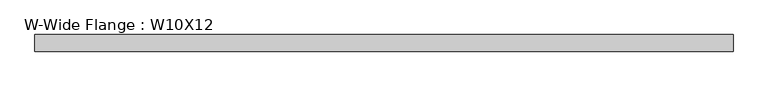
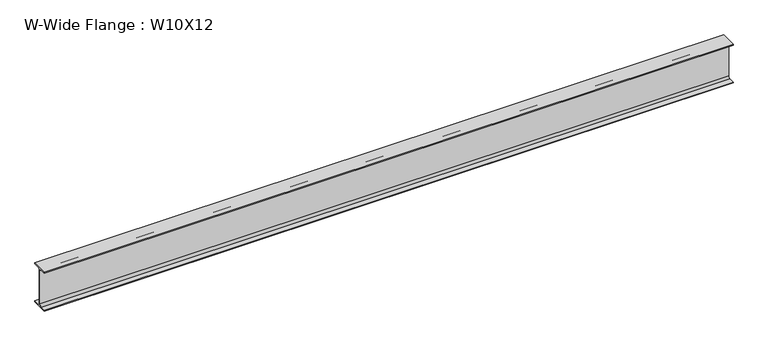
"""IFC4 building model written with IfcOpenShell, lengths in millimetres: beam geometry, W-Wide Flange : W10X12."""

from ifc_helpers import new_model, si_unit, point, frame, frame_2d, origin, place, context, project, spatial, polyline, circle_curve, trimmed, segment, composite_curve, outline, extrude, source, transform, mapped, element, save


def w_wide_flange_w10x12_dc94e826(model_context):
    return source(origin(), model_context, "Body", "SweptSolid", [
        extrude(outline(composite_curve([segment(polyline([(50.3039062, -120.0050781), (50.3039062, -125.3628906), (-50.3039063, -125.3628906), (-50.3039063, -120.0050781), (-16.1230469, -120.0050781)]), True, "CONTINUOUS"), segment(trimmed(circle_curve(frame_2d((-16.1230469, -106.3128906)), 13.6921875), [point((-16.1230469, -120.0050781))], [point((-2.4308594, -106.3128906))], True, "CARTESIAN"), True, "CONTINUOUS"), segment(polyline([(-2.4308594, -106.3128906), (-2.4308594, 106.3128906)]), True, "CONTINUOUS"), segment(trimmed(circle_curve(frame_2d((-16.1230469, 106.3128906)), 13.6921875), [point((-2.4308594, 106.3128906))], [point((-16.1230469, 120.0050781))], True, "CARTESIAN"), True, "CONTINUOUS"), segment(polyline([(-16.1230469, 120.0050781), (-50.3039063, 120.0050781), (-50.3039063, 125.3628906), (50.3039062, 125.3628906), (50.3039062, 120.0050781), (16.1230469, 120.0050781)]), True, "CONTINUOUS"), segment(trimmed(circle_curve(frame_2d((16.1230469, 106.3128906)), 13.6921875), [point((16.1230469, 120.0050781))], [point((2.4308594, 106.3128906))], True, "CARTESIAN"), True, "CONTINUOUS"), segment(polyline([(2.4308594, 106.3128906), (2.4308594, -106.3128906)]), True, "CONTINUOUS"), segment(trimmed(circle_curve(frame_2d((16.1230469, -106.3128906)), 13.6921875), [point((2.4308594, -106.3128906))], [point((16.1230469, -120.0050781))], True, "CARTESIAN"), True, "CONTINUOUS"), segment(polyline([(16.1230469, -120.0050781), (50.3039062, -120.0050781)]), True, "CONTINUOUS")], self_intersect=False)), frame((-2092.0769531, 0.0, 0.0), z_axis=(1.0, 0.0, 0.0), x_axis=(0.0, 1.0, 0.0)), (0.0, 0.0, 1.0), 4225.6769531),
    ])


if __name__ == "__main__":
    model = new_model("IFC4")
    model_context = context("Model", 3, world=origin())
    ifc_project = project(units=[si_unit("LENGTHUNIT", "METRE", prefix="MILLI")], contexts=[model_context])
    site = spatial("IfcSite", under=ifc_project)
    building = spatial("IfcBuilding", under=site)
    placement = place(None, origin())
    w_wide_flange_w10x12_shape = w_wide_flange_w10x12_dc94e826(model_context)
    element("IfcBeam", 1, ObjectType="W-Wide Flange : W10X12", at=placement, inside=building, context=model_context, shape_type="MappedRepresentation", body=[
        mapped(w_wide_flange_w10x12_shape, transform((0.0, 0.0, 0.0), x_axis=(1.0, 0.0, 0.0), y_axis=(0.0, 1.0, 0.0), z_axis=(0.0, 0.0, 1.0))),
    ])
    save(model, "model.ifc")
